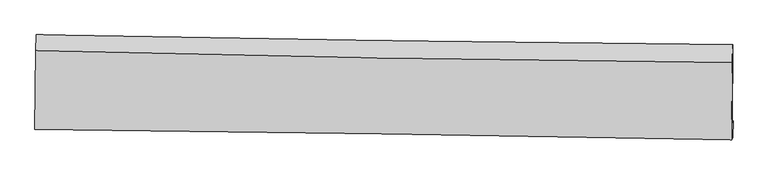
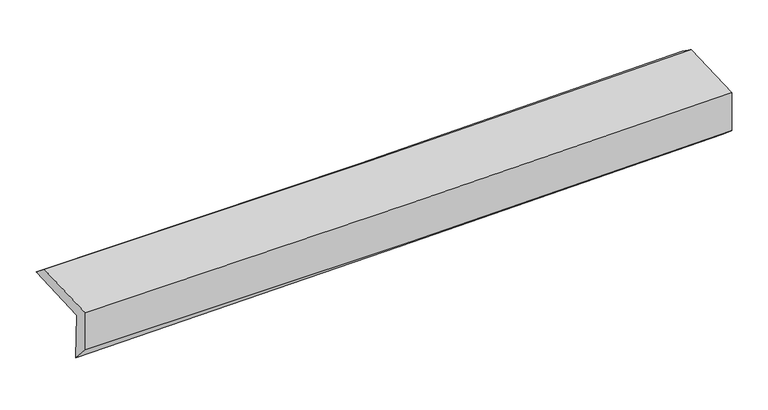
"""IFC4 building model written with IfcOpenShell, lengths in millimetres: proxy geometry."""

import ifcopenshell
import ifcopenshell.guid

model = None  # the IFC model being written
_history = None  # IfcOwnerHistory: only IFC2X3 demands one
_inside = {}  # id of a spatial element -> (the spatial element, [elements in it])
_under = {}  # id of a project, library or spatial element -> (it, [spatial elements below it])
_declared = {}  # id of a project -> (the project, [libraries it declares])
_typed = {}  # id of a type object -> (the type object, [elements of that type])
_made_of = {}  # id of a material, layer set ... -> (it, [elements and type objects made of it])


def new_model(schema):
    """Start an empty IFC model of exactly this schema.

    Asked for "IFC4X3", IfcOpenShell would pick the latest addendum, in which some entities
    have other attributes; the version numbers below select the first issue.
    IFC2X3 requires an IfcOwnerHistory on every rooted entity: one is made here for all.
    """
    global model, _history
    if schema == "IFC4X3":
        model = ifcopenshell.file(schema_version=(4, 3, 0, 0))
    else:
        model = ifcopenshell.file(schema=schema)
    _inside.clear()
    _under.clear()
    _declared.clear()
    _typed.clear()
    _made_of.clear()
    _history = None
    if model.schema == "IFC2X3":
        org = make("IfcOrganization", Name="unknown")
        user = make(
            "IfcPersonAndOrganization",
            ThePerson=make("IfcPerson", FamilyName="unknown"),
            TheOrganization=org,
        )
        app = make(
            "IfcApplication",
            ApplicationDeveloper=org,
            Version="unknown",
            ApplicationFullName="unknown",
            ApplicationIdentifier="unknown",
        )
        _history = make(
            "IfcOwnerHistory",
            OwningUser=user,
            OwningApplication=app,
            ChangeAction="ADDED",
            CreationDate=0,
        )
    return model


def make(cls, **values):
    """One entity of the class cls with the attributes given. An attribute that is None is left unset."""
    return model.create_entity(
        cls, **{name: value for name, value in values.items() if value is not None}
    )


def rooted(cls, **values):
    """An entity with a GlobalId (a new one), such as an element, a storey or a relation."""
    return make(cls, GlobalId=ifcopenshell.guid.new(), OwnerHistory=_history, **values)


def si_unit(unit_type, name, prefix=None):
    """IfcSIUnit, for example si_unit("LENGTHUNIT", "METRE", prefix="MILLI")."""
    return make("IfcSIUnit", UnitType=unit_type, Prefix=prefix, Name=name)


def assignment(units):
    """IfcUnitAssignment: the units of a project."""
    return None if units is None else make("IfcUnitAssignment", Units=units)


def point(xyz):
    """IfcCartesianPoint."""
    return None if xyz is None else make("IfcCartesianPoint", Coordinates=xyz)


def direction(xyz):
    """IfcDirection."""
    return None if xyz is None else make("IfcDirection", DirectionRatios=xyz)


def frame(location, z_axis=None, x_axis=None):
    """IfcAxis2Placement3D, a coordinate frame: its origin and axes. An axis left out is left unset."""
    return make(
        "IfcAxis2Placement3D",
        Location=point(location),
        Axis=direction(z_axis),
        RefDirection=direction(x_axis),
    )


def origin():
    """The frame at (0, 0, 0) with its axes left unset."""
    return frame((0.0, 0.0, 0.0))


def place(relative_to, where):
    """IfcLocalPlacement: puts the frame where relative to a parent placement (None: the world)."""
    return make(
        "IfcLocalPlacement", PlacementRelTo=relative_to, RelativePlacement=where
    )


def context(
    kind, dimensions, precision=None, world=None, true_north=None, identifier=None
):
    """IfcGeometricRepresentationContext, for example the 3D "Model" context."""
    return make(
        "IfcGeometricRepresentationContext",
        ContextIdentifier=identifier,
        ContextType=kind,
        CoordinateSpaceDimension=dimensions,
        Precision=precision,
        WorldCoordinateSystem=world,
        TrueNorth=true_north,
    )


def project(units=None, contexts=None):
    """IfcProject with its units and contexts."""
    return rooted(
        "IfcProject",
        Name="project",
        RepresentationContexts=contexts,
        UnitsInContext=assignment(units),
    )


def spatial(cls, under=None, at=None, **own):
    """A site, building, storey or space (cls), placed at a placement, below another one or the project."""
    s = rooted(cls, ObjectPlacement=at, **own)
    if under is not None:
        _under.setdefault(under.id(), (under, []))[1].append(s)
    return s


def shape(context_of_items, identifier, shape_type, items):
    """IfcShapeRepresentation: the items that make up one representation, for example the "Body"."""
    return make(
        "IfcShapeRepresentation",
        ContextOfItems=context_of_items,
        RepresentationIdentifier=identifier,
        RepresentationType=shape_type,
        Items=items,
    )


def source(mapping_origin, context_of_items, identifier, shape_type, items):
    """IfcRepresentationMap: a shape defined once, which mapped items show again and again."""
    return make(
        "IfcRepresentationMap",
        MappingOrigin=mapping_origin,
        MappedRepresentation=shape(context_of_items, identifier, shape_type, items),
    )


def transform(
    local_origin,
    x_axis=None,
    y_axis=None,
    z_axis=None,
    scale=None,
    scale2=None,
    scale3=None,
    uniform=True,
):
    """IfcCartesianTransformationOperator3D, or its non-uniform kind. x_axis, y_axis, z_axis: its Axis1, 2, 3."""
    if uniform:
        return make(
            "IfcCartesianTransformationOperator3D",
            Axis1=direction(x_axis),
            Axis2=direction(y_axis),
            LocalOrigin=point(local_origin),
            Scale=scale,
            Axis3=direction(z_axis),
        )
    return make(
        "IfcCartesianTransformationOperator3DnonUniform",
        Axis1=direction(x_axis),
        Axis2=direction(y_axis),
        LocalOrigin=point(local_origin),
        Scale=scale,
        Axis3=direction(z_axis),
        Scale2=scale2,
        Scale3=scale3,
    )


def mapped(mapping_source, mapping_target):
    """IfcMappedItem: shows the shape of a source again, moved by a transform."""
    return make(
        "IfcMappedItem", MappingSource=mapping_source, MappingTarget=mapping_target
    )


def made_of(thing, what):
    """Note that an element or type object is made of a material, layer set ...; save() writes the relation."""
    if what is not None:
        _made_of.setdefault(what.id(), (what, []))[1].append(thing)
    return thing


def element(
    cls,
    number,
    at=None,
    inside=None,
    cuts=None,
    type_object=None,
    material=None,
    context=None,
    identifier="Body",
    shape_type=None,
    held_by="IfcProductDefinitionShape",
    body=None,
    shapes=None,
    **own,
):
    """One element of the class cls, such as IfcWall. Its Tag is "e" and its number.

    at: its placement. inside: the storey or other place that contains it. cuts: it is an
    opening in that element (IfcRelVoidsElement). A single representation is given by context,
    identifier, shape_type and body (its items); several are given by shapes. held_by: the class
    of the entity that holds the representations. save() writes the other relations.
    """
    e = rooted(cls, Tag="e%d" % number, ObjectPlacement=at, **own)
    if body is not None:
        shapes = [shape(context, identifier, shape_type, body)]
    if shapes is not None:
        e.Representation = make(held_by, Representations=shapes)
    if inside is not None:
        _inside.setdefault(inside.id(), (inside, []))[1].append(e)
    if cuts is not None:
        rooted(
            "IfcRelVoidsElement", RelatingBuildingElement=cuts, RelatedOpeningElement=e
        )
    if type_object is not None:
        _typed.setdefault(type_object.id(), (type_object, []))[1].append(e)
    return made_of(e, material)


def aggregate(whole, parts):
    """IfcRelAggregates: a whole, such as a stair, and the parts it consists of."""
    return rooted("IfcRelAggregates", RelatingObject=whole, RelatedObjects=parts)


def save(model, path):
    """Write the relations noted so far, then the file.

    IfcRelAggregates (storeys below a building ...), IfcRelContainedInSpatialStructure (elements
    in a storey), IfcRelDefinesByType, IfcRelAssociatesMaterial and IfcRelDeclares: one each for
    every whole, place, type object, material and project.
    """
    for whole, parts in _under.values():
        aggregate(whole, parts)
    for where, things in _inside.values():
        rooted(
            "IfcRelContainedInSpatialStructure",
            RelatedElements=things,
            RelatingStructure=where,
        )
    for kind, things in _typed.values():
        rooted("IfcRelDefinesByType", RelatedObjects=things, RelatingType=kind)
    for what, things in _made_of.values():
        rooted("IfcRelAssociatesMaterial", RelatedObjects=things, RelatingMaterial=what)
    for by, libraries in _declared.values():
        rooted("IfcRelDeclares", RelatingContext=by, RelatedDefinitions=libraries)
    model.write(path)


def plane_surface(at):
    """IfcPlane: the flat surface through the origin of the frame at, square to its z axis."""
    return make("IfcPlane", Position=at)


def spline_curve(degree, points, multiplicities, knots, weights=None):
    """IfcBSplineCurveWithKnots; with weights, IfcRationalBSplineCurveWithKnots."""
    own = dict(
        Degree=degree,
        ControlPointsList=[point(p) for p in points],
        CurveForm="UNSPECIFIED",
        ClosedCurve=False,
        SelfIntersect=False,
        KnotMultiplicities=multiplicities,
        Knots=knots,
        KnotSpec="UNSPECIFIED",
    )
    if weights is None:
        return make("IfcBSplineCurveWithKnots", **own)
    return make("IfcRationalBSplineCurveWithKnots", WeightsData=weights, **own)


def spline_surface(u_degree, v_degree, points, u_multiplicities, v_multiplicities, u_knots, v_knots, weights=None):
    """IfcBSplineSurfaceWithKnots; with weights, IfcRationalBSplineSurfaceWithKnots. points: one row for each step in u."""
    own = dict(
        UDegree=u_degree,
        VDegree=v_degree,
        ControlPointsList=[[point(p) for p in row] for row in points],
        SurfaceForm="UNSPECIFIED",
        UClosed=False,
        VClosed=False,
        SelfIntersect=False,
        UMultiplicities=u_multiplicities,
        VMultiplicities=v_multiplicities,
        UKnots=u_knots,
        VKnots=v_knots,
        KnotSpec="UNSPECIFIED",
    )
    if weights is None:
        return make("IfcBSplineSurfaceWithKnots", **own)
    return make("IfcRationalBSplineSurfaceWithKnots", WeightsData=weights, **own)


def advanced_brep(points, edges, surfaces, faces):
    """IfcAdvancedBrep: a solid bounded by faces that lie on surfaces and meet in shared edges.

    An edge is (start, end): straight between two places in points (the first is 0);
    or (start, end, curve); or (start, end, curve, False) where it runs against its curve.
    A face is (place in surfaces, loops), or (place, loops, False) where it looks against
    its surface's normal. A loop lists edges by number (the first is 1), with a minus sign
    where the edge is run from its end to its start. The first loop is the outer one.
    """
    corners = [point(p) for p in points]
    vertices = [make("IfcVertexPoint", VertexGeometry=c) for c in corners]
    made = []
    for start, end, *more in edges:
        made.append(
            make(
                "IfcEdgeCurve",
                EdgeStart=vertices[start],
                EdgeEnd=vertices[end],
                EdgeGeometry=more[0] if more else make("IfcPolyline", Points=[corners[start], corners[end]]),
                SameSense=more[1] if len(more) > 1 else True,
            )
        )
    hull = []
    for where, loops, *sense in faces:
        bounds = []
        for j, loop in enumerate(loops):
            ring = [make("IfcOrientedEdge", EdgeElement=made[abs(k) - 1], Orientation=k > 0) for k in loop]
            bounds.append(
                make(
                    "IfcFaceOuterBound" if j == 0 else "IfcFaceBound",
                    Bound=make("IfcEdgeLoop", EdgeList=ring),
                    Orientation=True,
                )
            )
        hull.append(make("IfcAdvancedFace", Bounds=bounds, FaceSurface=surfaces[where], SameSense=sense[0] if sense else True))
    return make("IfcAdvancedBrep", Outer=make("IfcClosedShell", CfsFaces=hull))


def generic_models_1a8e3a14(model_context):
    return source(origin(), model_context, "Body", "AdvancedBrep", [
        advanced_brep(
        [(-3031.4650851, -1760.6944351, 1969.1159845), (-3023.7042662, -1088.776719, 1993.526473), (3016.962304, -1175.6301891, 2131.3976702), (3009.6815224, -1853.5303981, 2111.6445305), (-3021.0943821, -1731.12198, 1524.1491854), (3018.969004, -1837.9178388, 1707.1880489), (-3027.1818244, -1895.4729455, 1704.4887996), (3014.4601942, -1986.4048892, 1832.2417865), (-3035.9541504, -1910.493777, 2086.3722233), (3005.4651804, -2001.8070284, 2223.8194196), (-3027.955259, -1227.4428058, 2106.3180776), (3012.6625464, -1331.6169689, 2243.374849)],
        [
            (0, 1),
            (1, 2, spline_curve(3, [(-3023.7042662, -1088.776719, 1993.526473), (-2016.746124994, -1107.327986611, 2006.173535437), (-1009.87871576, -1123.841404177, 2023.986315093), (1003.676807726, -1152.792569432, 2069.943358248), (2010.364922442, -1165.230308834, 2098.087644407), (3016.962304, -1175.6301891, 2131.3976702)], [4, 2, 4], [0.0, 9.913524142556762, 19.82706965823693])),
            (2, 3),
            (3, 0, spline_curve(3, [(3009.6815224, -1853.5303981, 2111.6445305), (2002.975572318, -1840.793148996, 2079.202766729), (996.193170704, -1826.688184269, 2051.104497788), (-1017.522365165, -1795.742857289, 2003.595001027), (-2024.455499643, -1778.902501131, 1984.183754724), (-3031.4650851, -1760.6944351, 1969.1159845)], [4, 2, 4], [0.0, 9.913545515680168, 19.82706965823693])),
            (4, 0),
            (3, 5),
            (5, 4, spline_curve(3, [(3018.969004, -1837.9178388, 1707.1880489), (2012.277937886, -1823.380255963, 1674.991258292), (1005.593246498, -1807.211798188, 1643.639608917), (-1007.761215548, -1771.613171386, 1582.626658254), (-2014.43098614, -1752.183009662, 1552.965353065), (-3021.0943821, -1731.12198, 1524.1491854)], [4, 2, 4], [0.0, 9.914141018415819, 19.828260662424356])),
            (6, 4),
            (5, 7),
            (7, 6, spline_curve(3, [(3014.4601942, -1986.4048892, 1832.2417865), (2007.788900541, -1973.349744325, 1797.336342794), (1000.982542675, -1959.244500654, 1769.237534388), (-1012.898130558, -1928.93384842, 1726.653235117), (-2019.972445738, -1912.728444034, 1712.167714258), (-3027.1818244, -1895.4729455, 1704.4887996)], [4, 2, 4], [0.0, 9.914230674216304, 19.828439973832033])),
            (8, 6),
            (7, 9),
            (9, 8, spline_curve(3, [(3005.4651804, -2001.8070284, 2223.8194196), (1998.830080465, -1982.154381554, 2190.793369573), (992.060376844, -1964.71861455, 2162.826404753), (-1021.746067207, -1934.280873861, 2117.010694435), (-2028.782807195, -1921.278889986, 2099.161927218), (-3035.9541504, -1910.493777, 2086.3722233)], [4, 2, 4], [0.0, 9.914344793733605, 19.8286682126206])),
            (10, 8),
            (9, 11),
            (11, 10, spline_curve(3, [(3012.6625464, -1331.6169689, 2243.374849), (2006.044005371, -1320.771470119, 2210.025071854), (999.349374996, -1306.667527873, 2181.928778761), (-1014.189893648, -1271.94279256, 2136.243211087), (-2021.034531713, -1251.322014072, 2118.653913582), (-3027.955259, -1227.4428058, 2106.3180776)], [4, 2, 4], [0.0, 9.91382705588728, 19.827632738044166])),
            (1, 10),
            (11, 2),
        ],
        [
            spline_surface(3, 3, [[(-3031.4650851, -1760.6944351, 1969.1159845), (-2024.455499526, -1778.902501005, 1984.183754679), (-1017.522365313, -1795.742857331, 2003.595001108), (996.193170852, -1826.688184228, 2051.104497706), (2002.975572468, -1840.793148903, 2079.202766625), (3009.6815224, -1853.5303981, 2111.6445305)], [(-3028.878145474, -1536.72186305, 1977.252813985), (-2021.885707995, -1555.044329547, 1991.513681541), (-1014.974482179, -1571.77570623, 2010.392105705), (998.687716529, -1602.056312654, 2057.384117929), (2005.438689065, -1615.605535536, 2085.497725922), (3012.108449594, -1627.563661742, 2118.228910411)], [(-3026.291205826, -1312.74929105, 1985.389643515), (-2019.315916441, -1331.186158139, 1998.84360845), (-1012.426599048, -1347.808555166, 2017.189210334), (1001.182262204, -1377.424441117, 2063.663738186), (2007.90180568, -1390.417922243, 2091.792685188), (3014.535376806, -1401.596925458, 2124.813290289)], [(-3023.7042662, -1088.776719, 1993.526473), (-2016.74612491, -1107.327986681, 2006.173535312), (-1009.878715914, -1123.841404065, 2023.986314931), (1003.676807881, -1152.792569544, 2069.943358409), (2010.364922277, -1165.230308876, 2098.087644486), (3016.962304, -1175.6301891, 2131.3976702)]], [4, 4], [4, 2, 4], [0.0, 2.208749529036704], [0.0, 9.913524142556762, 19.82706965823693]),
            spline_surface(3, 3, [[(-3021.0943821, -1731.12198, 1524.1491854), (-2014.430986293, -1752.18300965, 1552.965353022), (-1007.761215525, -1771.613171473, 1582.626658169), (1005.593246475, -1807.211798102, 1643.639609002), (2012.277937753, -1823.380255885, 1674.9912584), (3018.969004, -1837.9178388, 1707.1880489)], [(-3024.551283086, -1740.979465053, 1672.471451753), (-2017.77249069, -1761.089506788, 1696.704820227), (-1011.014932146, -1779.656400093, 1722.949439161), (1002.459887908, -1813.703926812, 1779.461238582), (2009.177149347, -1829.184553579, 1809.72842781), (3015.873176823, -1843.122025255, 1842.006876102)], [(-3028.008184114, -1750.836950047, 1820.793718147), (-2021.113995129, -1769.996003867, 1840.444287474), (-1014.268648692, -1787.69962871, 1863.272220117), (999.326529418, -1820.196055518, 1915.282868126), (2006.076360874, -1834.988851208, 1944.465597215), (3012.777349577, -1848.326211645, 1976.825703298)], [(-3031.4650851, -1760.6944351, 1969.1159845), (-2024.455499526, -1778.902501005, 1984.183754679), (-1017.522365313, -1795.742857331, 2003.595001108), (996.193170852, -1826.688184228, 2051.104497706), (2002.975572468, -1840.793148903, 2079.202766625), (3009.6815224, -1853.5303981, 2111.6445305)]], [4, 4], [4, 2, 4], [0.0, 1.3612226196831203], [0.0, 9.914119644008537, 19.828260662424356]),
            spline_surface(3, 3, [[(-3027.1818244, -1895.4729455, 1704.4887996), (-2019.972445666, -1912.728444084, 1712.167714204), (-1012.898130663, -1928.933848325, 1726.653234956), (1000.98254278, -1959.244500749, 1769.237534549), (2007.788900656, -1973.349744416, 1797.336342812), (3014.4601942, -1986.4048892, 1832.2417865)], [(-3025.152676976, -1840.689290325, 1644.375594869), (-2018.125292551, -1859.213299264, 1659.100260479), (-1011.185825609, -1876.493622725, 1678.644376016), (1002.51944402, -1908.566933217, 1727.371559355), (2009.285246346, -1923.359914899, 1756.554648012), (3015.96313079, -1936.909205726, 1790.557207304)], [(-3023.123529524, -1785.905635175, 1584.262390131), (-2016.278139408, -1805.69815447, 1606.032806746), (-1009.473520579, -1824.053397073, 1630.635517109), (1004.056345235, -1857.889365634, 1685.505584196), (2010.781592064, -1873.370085402, 1715.7729532), (3017.46606741, -1887.413522274, 1748.872628096)], [(-3021.0943821, -1731.12198, 1524.1491854), (-2014.430986293, -1752.18300965, 1552.965353022), (-1007.761215525, -1771.613171473, 1582.626658169), (1005.593246475, -1807.211798102, 1643.639609002), (2012.277937753, -1823.380255885, 1674.9912584), (3018.969004, -1837.9178388, 1707.1880489)]], [4, 4], [4, 2, 4], [0.0, 0.6733556692434138], [0.0, 9.91420929961573, 19.828439973832033]),
            spline_surface(3, 3, [[(-3035.9541504, -1910.493777, 2086.3722233), (-2028.782807156, -1921.278890103, 2099.161927246), (-1021.746067274, -1934.280873755, 2117.010694441), (992.060376911, -1964.718614657, 2162.826404747), (1998.830080619, -1982.154381483, 2190.793369611), (3005.4651804, -2001.8070284, 2223.8194196)], [(-3033.030041716, -1905.486833149, 1959.077748753), (-2025.846019975, -1918.428741413, 1970.163856252), (-1018.79675508, -1932.498531949, 1986.891541287), (995.034432192, -1962.893910025, 2031.630114689), (2001.816353971, -1979.219502445, 2059.64102732), (3008.46351834, -1996.672981984, 2093.293541875)], [(-3030.105933084, -1900.479889351, 1831.783274147), (-2022.909232847, -1915.578592775, 1841.165785198), (-1015.847442858, -1930.71619013, 1856.77238811), (998.008487499, -1961.06920538, 1900.433824607), (2004.802627304, -1976.284623455, 1928.488685103), (3011.46185626, -1991.538935616, 1962.767664225)], [(-3027.1818244, -1895.4729455, 1704.4887996), (-2019.972445666, -1912.728444084, 1712.167714204), (-1012.898130663, -1928.933848325, 1726.653234956), (1000.98254278, -1959.244500749, 1769.237534549), (2007.788900656, -1973.349744416, 1797.336342812), (3014.4601942, -1986.4048892, 1832.2417865)]], [4, 4], [4, 2, 4], [0.0, 1.286454026008045], [0.0, 9.914323418886994, 19.8286682126206]),
            spline_surface(3, 3, [[(-3027.955259, -1227.4428058, 2106.3180776), (-2021.034531848, -1251.322014133, 2118.65391348), (-1014.189893724, -1271.942792684, 2136.243211018), (999.349375073, -1306.667527749, 2181.92877883), (2006.04400541, -1320.771470269, 2210.025071763), (3012.6625464, -1331.6169689, 2243.374849)], [(-3030.621556132, -1455.126462877, 2099.669459507), (-2023.617290283, -1474.6409728, 2112.156584743), (-1016.708618219, -1492.722153017, 2129.832372154), (996.919709041, -1526.017890028, 2175.561320798), (2003.639363817, -1541.232440697, 2203.614504409), (3010.263424403, -1555.013655423, 2236.856372563)], [(-3033.287853268, -1682.810119923, 2093.020841393), (-2026.200048722, -1697.959931436, 2105.659255983), (-1019.22734278, -1713.501513421, 2123.421533305), (994.490042943, -1745.368252378, 2169.19386278), (2001.234722213, -1761.693411055, 2197.203936965), (3007.864302397, -1778.410341877, 2230.337896037)], [(-3035.9541504, -1910.493777, 2086.3722233), (-2028.782807156, -1921.278890103, 2099.161927246), (-1021.746067274, -1934.280873755, 2117.010694441), (992.060376911, -1964.718614657, 2162.826404747), (1998.830080619, -1982.154381483, 2190.793369611), (3005.4651804, -2001.8070284, 2223.8194196)]], [4, 4], [4, 2, 4], [0.0, 2.167042232319057], [0.0, 9.913805682156886, 19.827632738044166]),
            spline_surface(3, 3, [[(-3023.7042662, -1088.776719, 1993.526473), (-2016.74612491, -1107.327986681, 2006.173535312), (-1009.878715914, -1123.841404065, 2023.986314931), (1003.676807881, -1152.792569544, 2069.943358409), (2010.364922277, -1165.230308876, 2098.087644486), (3016.962304, -1175.6301891, 2131.3976702)], [(-3025.121263816, -1134.998747946, 2031.123674533), (-2018.175593906, -1155.325995845, 2043.666994701), (-1011.315775181, -1173.208533617, 2061.405280301), (1002.234330282, -1204.084222291, 2107.27183189), (2008.924616638, -1217.077362676, 2135.400120224), (3015.52905145, -1227.625782369, 2168.723396445)], [(-3026.538261384, -1181.220776854, 2068.720876067), (-2019.605062853, -1203.32400497, 2081.160454091), (-1012.752834458, -1222.575663131, 2098.824245649), (1000.791852672, -1255.375875001, 2144.600305349), (2007.48431105, -1268.924416469, 2172.712596025), (3014.09579895, -1279.621375631, 2206.049122755)], [(-3027.955259, -1227.4428058, 2106.3180776), (-2021.034531848, -1251.322014133, 2118.65391348), (-1014.189893724, -1271.942792684, 2136.243211018), (999.349375073, -1306.667527749, 2181.92877883), (2006.04400541, -1320.771470269, 2210.025071763), (3012.6625464, -1331.6169689, 2243.374849)]], [4, 4], [4, 2, 4], [0.0, 0.6171750890845838], [0.0, 9.913179949165187, 19.826381270711714]),
            plane_surface(frame((3013.0334586, -1697.8178854, 2041.6110508), z_axis=(0.9996815705647433, -0.011392857497541646, 0.022515778273227503), x_axis=(0.02294742116135226, 0.03929281079301346, -0.9989642090095261))),
            plane_surface(frame((-3027.8924945, -1602.3337771, 1897.3284572), z_axis=(-0.9996709072811469, 0.012363044295962043, -0.022477372431509116), x_axis=(-0.011541868352434042, -0.999274167661714, -0.036303210862458024))),
        ],
        [
            (0, [[1, 2, 3, 4]]),
            (1, [[5, -4, 6, 7]]),
            (2, [[8, -7, 9, 10]]),
            (3, [[11, -10, 12, 13]]),
            (4, [[14, -13, 15, 16]]),
            (5, [[17, -16, 18, -2]]),
            (6, [[-12, -9, -6, -3, -18, -15]]),
            (7, [[-1, -5, -8, -11, -14, -17]]),
        ],
    ),
    ])


if __name__ == "__main__":
    model = new_model("IFC4")
    model_context = context("Model", 3, world=origin())
    ifc_project = project(units=[si_unit("LENGTHUNIT", "METRE", prefix="MILLI")], contexts=[model_context])
    site = spatial("IfcSite", under=ifc_project)
    building = spatial("IfcBuilding", under=site)
    placement = place(None, origin())
    generic_models_shape = generic_models_1a8e3a14(model_context)
    element("IfcBuildingElementProxy", 1, Name="Generic Models", at=placement, inside=building, context=model_context, shape_type="MappedRepresentation", body=[
        mapped(generic_models_shape, transform((0.0, 0.0, 0.0), x_axis=(1.0, 0.0, 0.0), y_axis=(0.0, 1.0, 0.0), z_axis=(0.0, 0.0, 1.0))),
    ])
    save(model, "model.ifc")
